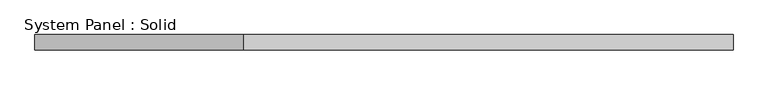
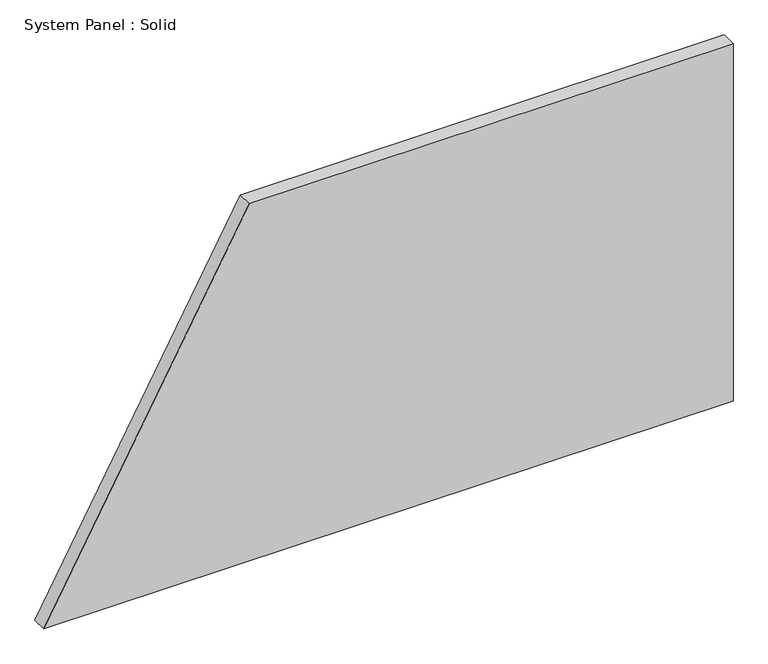
"""IFC4 building model written with IfcOpenShell, lengths in millimetres: plate geometry, System Panel : Solid."""

import ifcopenshell
import ifcopenshell.guid

model = None  # the IFC model being written
_history = None  # IfcOwnerHistory: only IFC2X3 demands one
_inside = {}  # id of a spatial element -> (the spatial element, [elements in it])
_under = {}  # id of a project, library or spatial element -> (it, [spatial elements below it])
_declared = {}  # id of a project -> (the project, [libraries it declares])
_typed = {}  # id of a type object -> (the type object, [elements of that type])
_made_of = {}  # id of a material, layer set ... -> (it, [elements and type objects made of it])


def new_model(schema):
    """Start an empty IFC model of exactly this schema.

    Asked for "IFC4X3", IfcOpenShell would pick the latest addendum, in which some entities
    have other attributes; the version numbers below select the first issue.
    IFC2X3 requires an IfcOwnerHistory on every rooted entity: one is made here for all.
    """
    global model, _history
    if schema == "IFC4X3":
        model = ifcopenshell.file(schema_version=(4, 3, 0, 0))
    else:
        model = ifcopenshell.file(schema=schema)
    _inside.clear()
    _under.clear()
    _declared.clear()
    _typed.clear()
    _made_of.clear()
    _history = None
    if model.schema == "IFC2X3":
        org = make("IfcOrganization", Name="unknown")
        user = make(
            "IfcPersonAndOrganization",
            ThePerson=make("IfcPerson", FamilyName="unknown"),
            TheOrganization=org,
        )
        app = make(
            "IfcApplication",
            ApplicationDeveloper=org,
            Version="unknown",
            ApplicationFullName="unknown",
            ApplicationIdentifier="unknown",
        )
        _history = make(
            "IfcOwnerHistory",
            OwningUser=user,
            OwningApplication=app,
            ChangeAction="ADDED",
            CreationDate=0,
        )
    return model


def make(cls, **values):
    """One entity of the class cls with the attributes given. An attribute that is None is left unset."""
    return model.create_entity(
        cls, **{name: value for name, value in values.items() if value is not None}
    )


def rooted(cls, **values):
    """An entity with a GlobalId (a new one), such as an element, a storey or a relation."""
    return make(cls, GlobalId=ifcopenshell.guid.new(), OwnerHistory=_history, **values)


def si_unit(unit_type, name, prefix=None):
    """IfcSIUnit, for example si_unit("LENGTHUNIT", "METRE", prefix="MILLI")."""
    return make("IfcSIUnit", UnitType=unit_type, Prefix=prefix, Name=name)


def assignment(units):
    """IfcUnitAssignment: the units of a project."""
    return None if units is None else make("IfcUnitAssignment", Units=units)


def point(xyz):
    """IfcCartesianPoint."""
    return None if xyz is None else make("IfcCartesianPoint", Coordinates=xyz)


def direction(xyz):
    """IfcDirection."""
    return None if xyz is None else make("IfcDirection", DirectionRatios=xyz)


def frame(location, z_axis=None, x_axis=None):
    """IfcAxis2Placement3D, a coordinate frame: its origin and axes. An axis left out is left unset."""
    return make(
        "IfcAxis2Placement3D",
        Location=point(location),
        Axis=direction(z_axis),
        RefDirection=direction(x_axis),
    )


def origin():
    """The frame at (0, 0, 0) with its axes left unset."""
    return frame((0.0, 0.0, 0.0))


def place(relative_to, where):
    """IfcLocalPlacement: puts the frame where relative to a parent placement (None: the world)."""
    return make(
        "IfcLocalPlacement", PlacementRelTo=relative_to, RelativePlacement=where
    )


def context(
    kind, dimensions, precision=None, world=None, true_north=None, identifier=None
):
    """IfcGeometricRepresentationContext, for example the 3D "Model" context."""
    return make(
        "IfcGeometricRepresentationContext",
        ContextIdentifier=identifier,
        ContextType=kind,
        CoordinateSpaceDimension=dimensions,
        Precision=precision,
        WorldCoordinateSystem=world,
        TrueNorth=true_north,
    )


def project(units=None, contexts=None):
    """IfcProject with its units and contexts."""
    return rooted(
        "IfcProject",
        Name="project",
        RepresentationContexts=contexts,
        UnitsInContext=assignment(units),
    )


def spatial(cls, under=None, at=None, **own):
    """A site, building, storey or space (cls), placed at a placement, below another one or the project."""
    s = rooted(cls, ObjectPlacement=at, **own)
    if under is not None:
        _under.setdefault(under.id(), (under, []))[1].append(s)
    return s


def polyline(points):
    """IfcPolyline through the points."""
    return make("IfcPolyline", Points=[point(p) for p in points])


def outline(outer, holes=None, kind="AREA"):
    """IfcArbitraryClosedProfileDef: a profile drawn as a closed curve; with holes, ...WithVoids."""
    if holes is None:
        return make("IfcArbitraryClosedProfileDef", ProfileType=kind, OuterCurve=outer)
    return make(
        "IfcArbitraryProfileDefWithVoids",
        ProfileType=kind,
        OuterCurve=outer,
        InnerCurves=holes,
    )


def extrude(swept, where, along, depth):
    """IfcExtrudedAreaSolid: the profile swept, set in the frame where, extruded along a direction by depth."""
    return make(
        "IfcExtrudedAreaSolid",
        SweptArea=swept,
        Position=where,
        ExtrudedDirection=direction(along),
        Depth=depth,
    )


def shape(context_of_items, identifier, shape_type, items):
    """IfcShapeRepresentation: the items that make up one representation, for example the "Body"."""
    return make(
        "IfcShapeRepresentation",
        ContextOfItems=context_of_items,
        RepresentationIdentifier=identifier,
        RepresentationType=shape_type,
        Items=items,
    )


def source(mapping_origin, context_of_items, identifier, shape_type, items):
    """IfcRepresentationMap: a shape defined once, which mapped items show again and again."""
    return make(
        "IfcRepresentationMap",
        MappingOrigin=mapping_origin,
        MappedRepresentation=shape(context_of_items, identifier, shape_type, items),
    )


def transform(
    local_origin,
    x_axis=None,
    y_axis=None,
    z_axis=None,
    scale=None,
    scale2=None,
    scale3=None,
    uniform=True,
):
    """IfcCartesianTransformationOperator3D, or its non-uniform kind. x_axis, y_axis, z_axis: its Axis1, 2, 3."""
    if uniform:
        return make(
            "IfcCartesianTransformationOperator3D",
            Axis1=direction(x_axis),
            Axis2=direction(y_axis),
            LocalOrigin=point(local_origin),
            Scale=scale,
            Axis3=direction(z_axis),
        )
    return make(
        "IfcCartesianTransformationOperator3DnonUniform",
        Axis1=direction(x_axis),
        Axis2=direction(y_axis),
        LocalOrigin=point(local_origin),
        Scale=scale,
        Axis3=direction(z_axis),
        Scale2=scale2,
        Scale3=scale3,
    )


def mapped(mapping_source, mapping_target):
    """IfcMappedItem: shows the shape of a source again, moved by a transform."""
    return make(
        "IfcMappedItem", MappingSource=mapping_source, MappingTarget=mapping_target
    )


def made_of(thing, what):
    """Note that an element or type object is made of a material, layer set ...; save() writes the relation."""
    if what is not None:
        _made_of.setdefault(what.id(), (what, []))[1].append(thing)
    return thing


def element(
    cls,
    number,
    at=None,
    inside=None,
    cuts=None,
    type_object=None,
    material=None,
    context=None,
    identifier="Body",
    shape_type=None,
    held_by="IfcProductDefinitionShape",
    body=None,
    shapes=None,
    **own,
):
    """One element of the class cls, such as IfcWall. Its Tag is "e" and its number.

    at: its placement. inside: the storey or other place that contains it. cuts: it is an
    opening in that element (IfcRelVoidsElement). A single representation is given by context,
    identifier, shape_type and body (its items); several are given by shapes. held_by: the class
    of the entity that holds the representations. save() writes the other relations.
    """
    e = rooted(cls, Tag="e%d" % number, ObjectPlacement=at, **own)
    if body is not None:
        shapes = [shape(context, identifier, shape_type, body)]
    if shapes is not None:
        e.Representation = make(held_by, Representations=shapes)
    if inside is not None:
        _inside.setdefault(inside.id(), (inside, []))[1].append(e)
    if cuts is not None:
        rooted(
            "IfcRelVoidsElement", RelatingBuildingElement=cuts, RelatedOpeningElement=e
        )
    if type_object is not None:
        _typed.setdefault(type_object.id(), (type_object, []))[1].append(e)
    return made_of(e, material)


def aggregate(whole, parts):
    """IfcRelAggregates: a whole, such as a stair, and the parts it consists of."""
    return rooted("IfcRelAggregates", RelatingObject=whole, RelatedObjects=parts)


def save(model, path):
    """Write the relations noted so far, then the file.

    IfcRelAggregates (storeys below a building ...), IfcRelContainedInSpatialStructure (elements
    in a storey), IfcRelDefinesByType, IfcRelAssociatesMaterial and IfcRelDeclares: one each for
    every whole, place, type object, material and project.
    """
    for whole, parts in _under.values():
        aggregate(whole, parts)
    for where, things in _inside.values():
        rooted(
            "IfcRelContainedInSpatialStructure",
            RelatedElements=things,
            RelatingStructure=where,
        )
    for kind, things in _typed.values():
        rooted("IfcRelDefinesByType", RelatedObjects=things, RelatingType=kind)
    for what, things in _made_of.values():
        rooted("IfcRelAssociatesMaterial", RelatedObjects=things, RelatingMaterial=what)
    for by, libraries in _declared.values():
        rooted("IfcRelDeclares", RelatingContext=by, RelatedDefinitions=libraries)
    model.write(path)


def system_panel_solid_89fb7e0a(model_context):
    return source(origin(), model_context, "Body", "SweptSolid", [
        extrude(outline(polyline([(0.0, -1368.362588), (0.0, 1368.362588), (1500.0, 1368.362588), (1500.0, -552.543882), (0.0, -1368.362588)])), frame((0.0, -10.5, 0.0), z_axis=(0.0, 1.0, 0.0), x_axis=(0.0, 0.0, 1.0)), (0.0, 0.0, 1.0), 60.0),
    ])


if __name__ == "__main__":
    model = new_model("IFC4")
    model_context = context("Model", 3, world=origin())
    ifc_project = project(units=[si_unit("LENGTHUNIT", "METRE", prefix="MILLI")], contexts=[model_context])
    site = spatial("IfcSite", under=ifc_project)
    building = spatial("IfcBuilding", under=site)
    placement = place(None, origin())
    system_panel_solid_shape = system_panel_solid_89fb7e0a(model_context)
    element("IfcPlate", 1, ObjectType="System Panel : Solid", at=placement, inside=building, context=model_context, shape_type="MappedRepresentation", body=[
        mapped(system_panel_solid_shape, transform((0.0, 0.0, 0.0), x_axis=(1.0, 0.0, 0.0), y_axis=(0.0, 1.0, 0.0), z_axis=(0.0, 0.0, 1.0))),
    ])
    save(model, "model.ifc")
